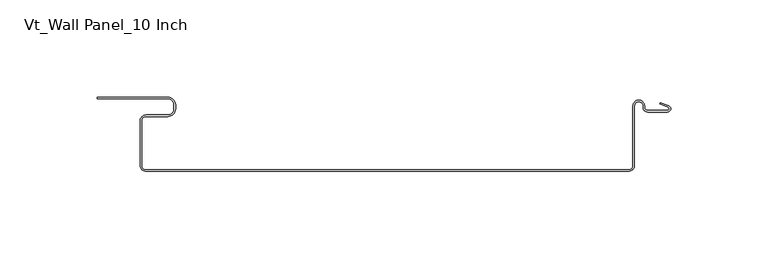
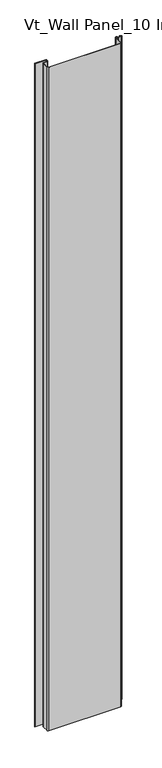
"""IFC4 building model written with IfcOpenShell, lengths in millimetres: plate geometry, Vt_Wall Panel_10 Inch."""

from ifc_helpers import new_model, si_unit, point, frame_2d, origin, origin_with_axes, place, context, project, spatial, polyline, circle_curve, trimmed, segment, composite_curve, outline, extrude, source, transform, mapped, element, save


def vt_wall_panel_10_inch_6e1acff2(model_context):
    return source(origin(), model_context, "Body", "SweptSolid", [
        extrude(outline(composite_curve([segment(polyline([(-127.7000002, -34.7869903), (-127.7000002, -12.0917985)]), True, "CONTINUOUS"), segment(trimmed(circle_curve(frame_2d((-124.6022276, -12.0917985)), 3.0977725), [point((-127.7000002, -12.0917985))], [point((-124.6022276, -8.9940259))], False, "CARTESIAN"), True, "CONTINUOUS"), segment(polyline([(-124.6022276, -8.9940259), (-113.3504982, -8.9940259)]), True, "CONTINUOUS"), segment(trimmed(circle_curve(frame_2d((-113.3504982, -5.8962534)), 3.0977725), [point((-113.3504982, -8.9940259))], [point((-110.2527257, -5.8962534))], True, "CARTESIAN"), True, "CONTINUOUS"), segment(polyline([(-110.2527257, -5.8962534), (-110.2527257, -3.8033983)]), True, "CONTINUOUS"), segment(trimmed(circle_curve(frame_2d((-113.3504982, -3.8033983)), 3.0977725), [point((-110.2527257, -3.8033983))], [point((-113.3504982, -0.7056258))], True, "CARTESIAN"), True, "CONTINUOUS"), segment(polyline([(-113.3504982, -0.7056258), (-149.6340883, -0.7056258), (-149.6340883, 0.0749154), (-113.3504982, 0.0749154)]), True, "CONTINUOUS"), segment(trimmed(circle_curve(frame_2d((-113.3504982, -3.8033983)), 3.8783136), [point((-113.3504982, 0.0749154))], [point((-109.4721846, -3.8033983))], False, "CARTESIAN"), True, "CONTINUOUS"), segment(polyline([(-109.4721846, -3.8033983), (-109.4721846, -5.8962534)]), True, "CONTINUOUS"), segment(trimmed(circle_curve(frame_2d((-113.3504982, -5.8962534)), 3.8783136), [point((-109.4721846, -5.8962534))], [point((-113.3504982, -9.774567))], False, "CARTESIAN"), True, "CONTINUOUS"), segment(polyline([(-113.3504982, -9.774567), (-124.6022276, -9.774567)]), True, "CONTINUOUS"), segment(trimmed(circle_curve(frame_2d((-124.6022276, -12.0917985)), 2.3172314), [point((-124.6022276, -9.774567))], [point((-126.919459, -12.0917985))], True, "CARTESIAN"), True, "CONTINUOUS"), segment(polyline([(-126.919459, -12.0917985), (-126.919459, -34.7869903)]), True, "CONTINUOUS"), segment(trimmed(circle_curve(frame_2d((-124.4869905, -34.7869903)), 2.4324686), [point((-126.919459, -34.7869903))], [point((-124.4869905, -37.2194589))], True, "CARTESIAN"), True, "CONTINUOUS"), segment(polyline([(-124.4869905, -37.2194589), (123.0869902, -37.2194589)]), True, "CONTINUOUS"), segment(trimmed(circle_curve(frame_2d((123.0869902, -34.7869903)), 2.4324686), [point((123.0869902, -37.2194589))], [point((125.5194587, -34.7869903))], True, "CARTESIAN"), True, "CONTINUOUS"), segment(polyline([(125.5194587, -34.7869903), (125.5194587, -4.3905535)]), True, "CONTINUOUS"), segment(trimmed(circle_curve(frame_2d((128.5100251, -4.3717541)), 2.9906254), [point((125.5194587, -4.3905535))], [point((131.500473, -4.3391708))], False, "CARTESIAN"), True, "CONTINUOUS"), segment(polyline([(131.500473, -4.3391708), (131.5344062, -5.3720644)]), True, "CONTINUOUS"), segment(trimmed(circle_curve(frame_2d((133.1548059, -5.0208477)), 1.6580254), [point((131.5344062, -5.3720644))], [point((133.1548059, -6.6788731))], True, "CARTESIAN"), True, "CONTINUOUS"), segment(polyline([(133.1548059, -6.6788731), (143.2420104, -6.6788731)]), True, "CONTINUOUS"), segment(trimmed(circle_curve(frame_2d((143.2387392, -5.8119214)), 0.8669579), [point((143.2420104, -6.6788731))], [point((143.6433711, -5.0451822))], True, "CARTESIAN"), True, "CONTINUOUS"), segment(polyline([(143.6433711, -5.0451822), (139.2834372, -3.321841), (139.5703592, -2.5959483), (143.9636282, -4.3324658)]), True, "CONTINUOUS"), segment(trimmed(circle_curve(frame_2d((143.2387392, -5.8119214)), 1.647499), [point((143.9636282, -4.3324658))], [point((143.2432487, -7.4594143))], False, "CARTESIAN"), True, "CONTINUOUS"), segment(polyline([(143.2432487, -7.4594143), (133.1548059, -7.4594143)]), True, "CONTINUOUS"), segment(trimmed(circle_curve(frame_2d((133.1548059, -5.0208477)), 2.4385665), [point((133.1548059, -7.4594143))], [point((130.756382, -5.4614945))], False, "CARTESIAN"), True, "CONTINUOUS"), segment(polyline([(130.756382, -5.4614945), (130.7200503, -4.3555933)]), True, "CONTINUOUS"), segment(trimmed(circle_curve(frame_2d((128.5100251, -4.3717541)), 2.2100843), [point((130.7200503, -4.3555933))], [point((126.2999998, -4.387915))], True, "CARTESIAN"), True, "CONTINUOUS"), segment(polyline([(126.2999998, -4.387915), (126.2999998, -34.7869903)]), True, "CONTINUOUS"), segment(trimmed(circle_curve(frame_2d((123.0869902, -34.7869903)), 3.2130097), [point((126.2999998, -34.7869903))], [point((123.0869902, -38.0))], False, "CARTESIAN"), True, "CONTINUOUS"), segment(polyline([(123.0869902, -38.0), (-124.4869905, -38.0)]), True, "CONTINUOUS"), segment(trimmed(circle_curve(frame_2d((-124.4869905, -34.7869903)), 3.2130097), [point((-124.4869905, -38.0))], [point((-127.7000002, -34.7869903))], False, "CARTESIAN"), True, "CONTINUOUS")], self_intersect=False)), origin_with_axes(), (0.0, 0.0, 1.0), 2400.0),
    ])


if __name__ == "__main__":
    model = new_model("IFC4")
    model_context = context("Model", 3, world=origin())
    ifc_project = project(units=[si_unit("LENGTHUNIT", "METRE", prefix="MILLI")], contexts=[model_context])
    site = spatial("IfcSite", under=ifc_project)
    building = spatial("IfcBuilding", under=site)
    placement = place(None, origin())
    vt_wall_panel_10_inch_shape = vt_wall_panel_10_inch_6e1acff2(model_context)
    element("IfcPlate", 1, ObjectType="Vt_Wall Panel_10 Inch", at=placement, inside=building, context=model_context, shape_type="MappedRepresentation", body=[
        mapped(vt_wall_panel_10_inch_shape, transform((0.0, 0.0, 0.0), x_axis=(1.0, 0.0, 0.0), y_axis=(0.0, 1.0, 0.0), z_axis=(0.0, 0.0, 1.0))),
    ])
    save(model, "model.ifc")
